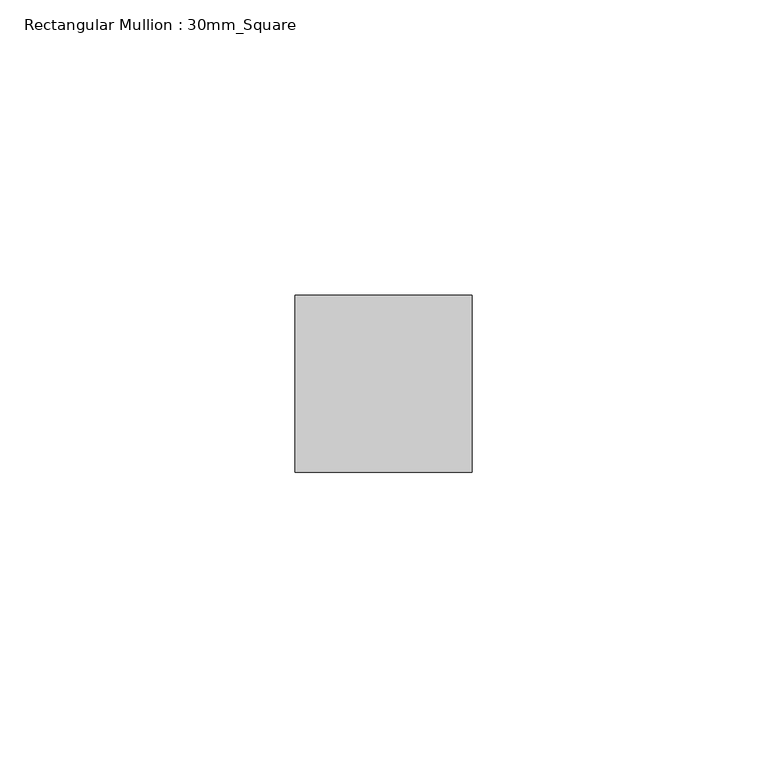
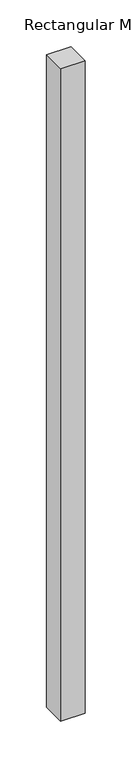
"""IFC4 building model written with IfcOpenShell, lengths in millimetres: member geometry, Rectangular Mullion : 30mm_Square."""

from ifc_helpers import new_model, si_unit, frame, origin, place, context, project, spatial, polyline, outline, extrude, source, transform, mapped, element, save


def rectangular_mullion_30mm_square_1e9044d3(model_context):
    return source(origin(), model_context, "Body", "SweptSolid", [
        extrude(outline(polyline([(15.0, 15.0), (15.0, -15.0), (-15.0, -15.0), (-15.0, 15.0), (15.0, 15.0)])), frame((0.0, 0.0, -850.0), z_axis=(0.0, 0.0, 1.0), x_axis=(1.0, 0.0, 0.0)), (0.0, 0.0, 1.0), 850.0),
    ])


if __name__ == "__main__":
    model = new_model("IFC4")
    model_context = context("Model", 3, world=origin())
    ifc_project = project(units=[si_unit("LENGTHUNIT", "METRE", prefix="MILLI")], contexts=[model_context])
    site = spatial("IfcSite", under=ifc_project)
    building = spatial("IfcBuilding", under=site)
    placement = place(None, origin())
    rectangular_mullion_30mm_square_shape = rectangular_mullion_30mm_square_1e9044d3(model_context)
    element("IfcMember", 1, ObjectType="Rectangular Mullion : 30mm_Square", at=placement, inside=building, context=model_context, shape_type="MappedRepresentation", body=[
        mapped(rectangular_mullion_30mm_square_shape, transform((0.0, 0.0, 0.0), x_axis=(1.0, 0.0, 0.0), y_axis=(0.0, 1.0, 0.0), z_axis=(0.0, 0.0, 1.0))),
    ])
    save(model, "model.ifc")
